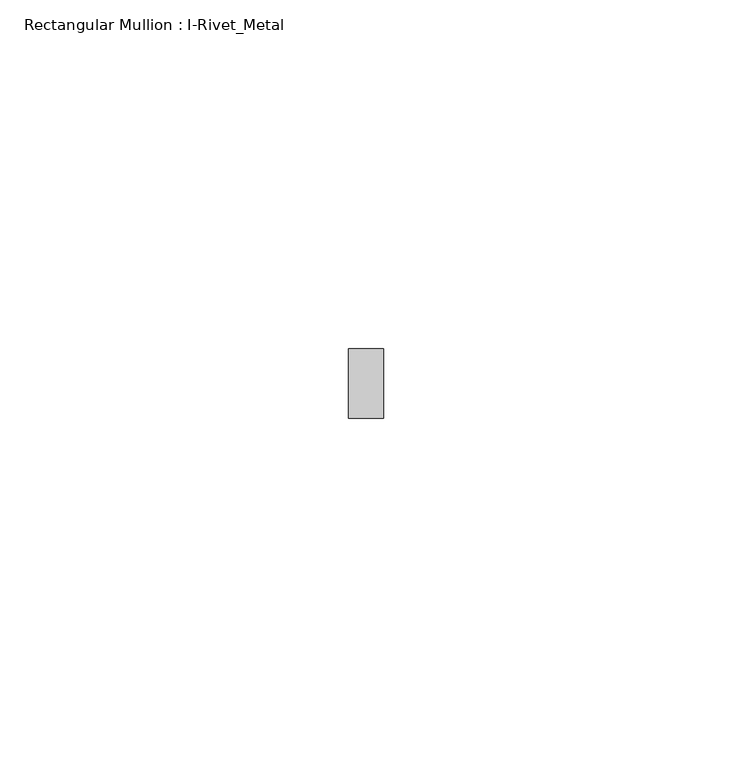
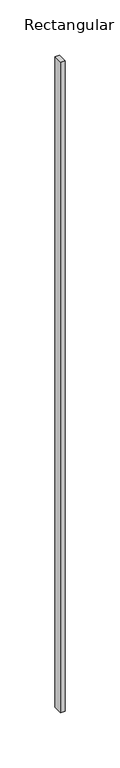
"""IFC4 building model written with IfcOpenShell, lengths in millimetres: member geometry, Rectangular Mullion : I-Rivet_Metal."""

from ifc_helpers import new_model, si_unit, frame, origin, place, context, project, spatial, polyline, outline, extrude, source, transform, mapped, element, save


def rectangular_mullion_i_rivet_metal_18b27dab(model_context):
    return source(origin(), model_context, "Body", "SweptSolid", [
        extrude(outline(polyline([(2.5, 70.0), (-2.5, 70.0), (-2.5, 80.0), (2.5, 80.0), (2.5, 70.0)])), frame((0.0, 0.0, -720.9085635), z_axis=(0.0, 0.0, 1.0), x_axis=(1.0, 0.0, 0.0)), (0.0, 0.0, 1.0), 720.9085635),
    ])


if __name__ == "__main__":
    model = new_model("IFC4")
    model_context = context("Model", 3, world=origin())
    ifc_project = project(units=[si_unit("LENGTHUNIT", "METRE", prefix="MILLI")], contexts=[model_context])
    site = spatial("IfcSite", under=ifc_project)
    building = spatial("IfcBuilding", under=site)
    placement = place(None, origin())
    rectangular_mullion_i_rivet_metal_shape = rectangular_mullion_i_rivet_metal_18b27dab(model_context)
    element("IfcMember", 1, ObjectType="Rectangular Mullion : I-Rivet_Metal", at=placement, inside=building, context=model_context, shape_type="MappedRepresentation", body=[
        mapped(rectangular_mullion_i_rivet_metal_shape, transform((0.0, 0.0, 0.0), x_axis=(1.0, 0.0, 0.0), y_axis=(0.0, 1.0, 0.0), z_axis=(0.0, 0.0, 1.0))),
    ])
    save(model, "model.ifc")
